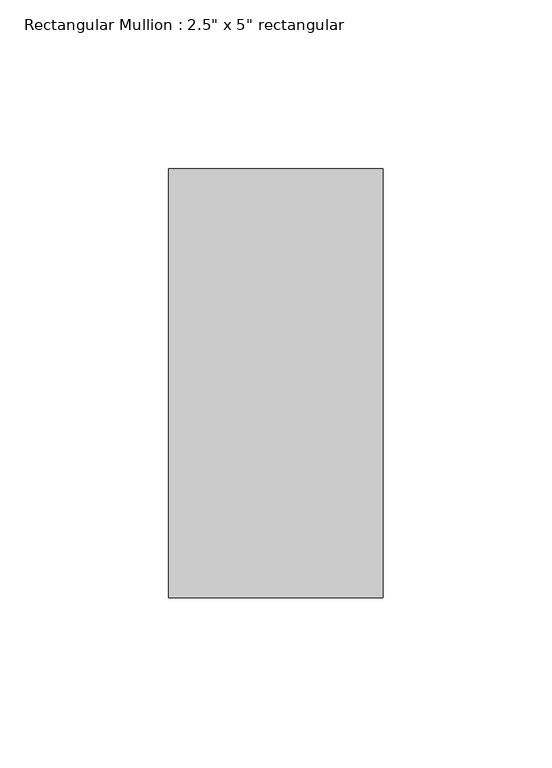
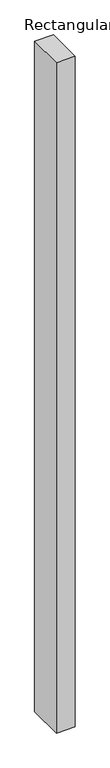
"""IFC4 building model written with IfcOpenShell, lengths in millimetres: member geometry."""

from ifc_helpers import new_model, si_unit, frame, origin, place, context, project, spatial, polyline, outline, extrude, source, transform, mapped, element, save


def member_4d00ed10(model_context):
    return source(origin(), model_context, "Body", "SweptSolid", [
        extrude(outline(polyline([(0.0, 63.5), (0.0, -63.5), (-63.5, -63.5), (-63.5, 63.5), (0.0, 63.5)])), frame((0.0, 0.0, -2393.3032429), z_axis=(0.0, 0.0, 1.0), x_axis=(1.0, 0.0, 0.0)), (0.0, 0.0, 1.0), 2393.3032429),
    ])


if __name__ == "__main__":
    model = new_model("IFC4")
    model_context = context("Model", 3, world=origin())
    ifc_project = project(units=[si_unit("LENGTHUNIT", "METRE", prefix="MILLI")], contexts=[model_context])
    site = spatial("IfcSite", under=ifc_project)
    building = spatial("IfcBuilding", under=site)
    placement = place(None, origin())
    member_shape = member_4d00ed10(model_context)
    element("IfcMember", 1, ObjectType="Rectangular Mullion : 2.5\" x 5\" rectangular", at=placement, inside=building, context=model_context, shape_type="MappedRepresentation", body=[
        mapped(member_shape, transform((0.0, 0.0, 0.0), x_axis=(1.0, 0.0, 0.0), y_axis=(0.0, 1.0, 0.0), z_axis=(0.0, 0.0, 1.0))),
    ])
    save(model, "model.ifc")
